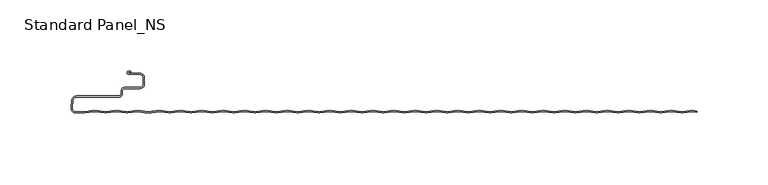
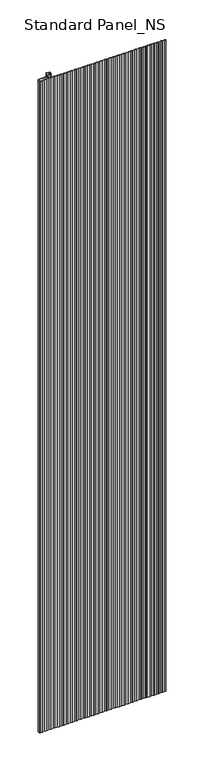
"""IFC4 building model written with IfcOpenShell, lengths in millimetres: proxy geometry, Standard Panel_NS."""

from ifc_helpers import new_model, si_unit, point, frame_2d, origin, origin_with_axes, place, context, project, spatial, polyline, circle_curve, trimmed, segment, composite_curve, outline, extrude, source, transform, mapped, element, save


def standard_panel_ns_74cee65e(model_context):
    return source(origin(), model_context, "Body", "SweptSolid", [
        extrude(outline(composite_curve([segment(polyline([(200.9757266, -68.2311894), (203.9042607, -68.6216606), (203.9042607, -69.4287404), (200.9757266, -69.0382692), (194.0477998, -69.9619928)]), True, "CONTINUOUS"), segment(trimmed(circle_curve(frame_2d((193.4654854, -65.5946345)), 4.4060082), [point((194.0477998, -69.9619928))], [point((192.883171, -69.9619928))], False, "CARTESIAN"), True, "CONTINUOUS"), segment(polyline([(192.883171, -69.9619928), (185.9552442, -69.0382692), (179.0273174, -69.9619928)]), True, "CONTINUOUS"), segment(trimmed(circle_curve(frame_2d((178.445003, -65.5946345)), 4.4060082), [point((179.0273174, -69.9619928))], [point((177.8626885, -69.9619928))], False, "CARTESIAN"), True, "CONTINUOUS"), segment(polyline([(177.8626885, -69.9619928), (170.9347618, -69.0382692), (164.006835, -69.9619928)]), True, "CONTINUOUS"), segment(trimmed(circle_curve(frame_2d((163.4245205, -65.5946345)), 4.4060082), [point((164.006835, -69.9619928))], [point((162.8422061, -69.9619928))], False, "CARTESIAN"), True, "CONTINUOUS"), segment(polyline([(162.8422061, -69.9619928), (155.9142793, -69.0382692), (148.9863525, -69.9619928)]), True, "CONTINUOUS"), segment(trimmed(circle_curve(frame_2d((148.4040381, -65.5946345)), 4.4060082), [point((148.9863525, -69.9619928))], [point((147.8217236, -69.9619928))], False, "CARTESIAN"), True, "CONTINUOUS"), segment(polyline([(147.8217236, -69.9619928), (140.8937969, -69.0382692), (133.9658701, -69.9619928)]), True, "CONTINUOUS"), segment(trimmed(circle_curve(frame_2d((133.3835556, -65.5946345)), 4.4060082), [point((133.9658701, -69.9619928))], [point((132.8012412, -69.9619928))], False, "CARTESIAN"), True, "CONTINUOUS"), segment(polyline([(132.8012412, -69.9619928), (125.8733144, -69.0382692), (118.9453876, -69.9619928)]), True, "CONTINUOUS"), segment(trimmed(circle_curve(frame_2d((118.3630732, -65.5946345)), 4.4060082), [point((118.9453876, -69.9619928))], [point((117.7807588, -69.9619928))], False, "CARTESIAN"), True, "CONTINUOUS"), segment(polyline([(117.7807588, -69.9619928), (110.852832, -69.0382692), (103.9249052, -69.9619928)]), True, "CONTINUOUS"), segment(trimmed(circle_curve(frame_2d((103.3425907, -65.5946345)), 4.4060082), [point((103.9249052, -69.9619928))], [point((102.7602763, -69.9619928))], False, "CARTESIAN"), True, "CONTINUOUS"), segment(polyline([(102.7602763, -69.9619928), (95.8323495, -69.0382692), (88.9044227, -69.9619928)]), True, "CONTINUOUS"), segment(trimmed(circle_curve(frame_2d((88.3221083, -65.5946345)), 4.4060082), [point((88.9044227, -69.9619928))], [point((87.7397939, -69.9619928))], False, "CARTESIAN"), True, "CONTINUOUS"), segment(polyline([(87.7397939, -69.9619928), (80.8118671, -69.0382692), (73.8839403, -69.9619928)]), True, "CONTINUOUS"), segment(trimmed(circle_curve(frame_2d((73.3016259, -65.5946345)), 4.4060082), [point((73.8839403, -69.9619928))], [point((72.7193114, -69.9619928))], False, "CARTESIAN"), True, "CONTINUOUS"), segment(polyline([(72.7193114, -69.9619928), (65.7913846, -69.0382692), (58.8634578, -69.9619928)]), True, "CONTINUOUS"), segment(trimmed(circle_curve(frame_2d((58.2811434, -65.5946345)), 4.4060082), [point((58.8634578, -69.9619928))], [point((57.698829, -69.9619928))], False, "CARTESIAN"), True, "CONTINUOUS"), segment(polyline([(57.698829, -69.9619928), (50.7709022, -69.0382692), (43.8429754, -69.9619928)]), True, "CONTINUOUS"), segment(trimmed(circle_curve(frame_2d((43.260661, -65.5946345)), 4.4060082), [point((43.8429754, -69.9619928))], [point((42.6783465, -69.9619928))], False, "CARTESIAN"), True, "CONTINUOUS"), segment(polyline([(42.6783465, -69.9619928), (35.7504198, -69.0382692), (28.822493, -69.9619928)]), True, "CONTINUOUS"), segment(trimmed(circle_curve(frame_2d((28.2401785, -65.5946345)), 4.4060082), [point((28.822493, -69.9619928))], [point((27.6578641, -69.9619928))], False, "CARTESIAN"), True, "CONTINUOUS"), segment(polyline([(27.6578641, -69.9619928), (20.7299373, -69.0382692), (13.8020105, -69.9619928)]), True, "CONTINUOUS"), segment(trimmed(circle_curve(frame_2d((13.2196961, -65.5946345)), 4.4060082), [point((13.8020105, -69.9619928))], [point((12.6373816, -69.9619928))], False, "CARTESIAN"), True, "CONTINUOUS"), segment(polyline([(12.6373816, -69.9619928), (5.7094549, -69.0382692), (-1.2184719, -69.9619928)]), True, "CONTINUOUS"), segment(trimmed(circle_curve(frame_2d((-1.8007864, -65.5946345)), 4.4060082), [point((-1.2184719, -69.9619928))], [point((-2.3831008, -69.9619928))], False, "CARTESIAN"), True, "CONTINUOUS"), segment(polyline([(-2.3831008, -69.9619928), (-9.3110276, -69.0382692), (-16.2389544, -69.9619928)]), True, "CONTINUOUS"), segment(trimmed(circle_curve(frame_2d((-16.8212688, -65.5946345)), 4.4060082), [point((-16.2389544, -69.9619928))], [point((-17.4035832, -69.9619928))], False, "CARTESIAN"), True, "CONTINUOUS"), segment(polyline([(-17.4035832, -69.9619928), (-24.33151, -69.0382692), (-31.2594368, -69.9619928)]), True, "CONTINUOUS"), segment(trimmed(circle_curve(frame_2d((-31.8417513, -65.5946345)), 4.4060082), [point((-31.2594368, -69.9619928))], [point((-32.4240657, -69.9619928))], False, "CARTESIAN"), True, "CONTINUOUS"), segment(polyline([(-32.4240657, -69.9619928), (-39.3519925, -69.0382692), (-46.2799193, -69.9619928)]), True, "CONTINUOUS"), segment(trimmed(circle_curve(frame_2d((-46.8622337, -65.5946345)), 4.4060082), [point((-46.2799193, -69.9619928))], [point((-47.4445481, -69.9619928))], False, "CARTESIAN"), True, "CONTINUOUS"), segment(polyline([(-47.4445481, -69.9619928), (-54.3724749, -69.0382692), (-61.3004017, -69.9619928)]), True, "CONTINUOUS"), segment(trimmed(circle_curve(frame_2d((-61.8827161, -65.5946345)), 4.4060082), [point((-61.3004017, -69.9619928))], [point((-62.4650306, -69.9619928))], False, "CARTESIAN"), True, "CONTINUOUS"), segment(polyline([(-62.4650306, -69.9619928), (-69.3929573, -69.0382692), (-76.3208842, -69.9619928)]), True, "CONTINUOUS"), segment(trimmed(circle_curve(frame_2d((-76.9031986, -65.5946345)), 4.4060082), [point((-76.3208842, -69.9619928))], [point((-77.485513, -69.9619928))], False, "CARTESIAN"), True, "CONTINUOUS"), segment(polyline([(-77.485513, -69.9619928), (-84.4134398, -69.0382692), (-91.3413666, -69.9619928)]), True, "CONTINUOUS"), segment(trimmed(circle_curve(frame_2d((-91.923681, -65.5946345)), 4.4060082), [point((-91.3413666, -69.9619928))], [point((-92.5059955, -69.9619928))], False, "CARTESIAN"), True, "CONTINUOUS"), segment(polyline([(-92.5059955, -69.9619928), (-99.4339222, -69.0382692), (-106.361849, -69.9619928)]), True, "CONTINUOUS"), segment(trimmed(circle_curve(frame_2d((-106.9441635, -65.5946345)), 4.4060082), [point((-106.361849, -69.9619928))], [point((-107.5264779, -69.9619928))], False, "CARTESIAN"), True, "CONTINUOUS"), segment(polyline([(-107.5264779, -69.9619928), (-114.4544047, -69.0382692), (-121.3823315, -69.9619928)]), True, "CONTINUOUS"), segment(trimmed(circle_curve(frame_2d((-121.9646459, -65.5946345)), 4.4060082), [point((-121.3823315, -69.9619928))], [point((-122.5469604, -69.9619928))], False, "CARTESIAN"), True, "CONTINUOUS"), segment(polyline([(-122.5469604, -69.9619928), (-129.4748871, -69.0382692), (-136.4028139, -69.9619928)]), True, "CONTINUOUS"), segment(trimmed(circle_curve(frame_2d((-136.9851284, -65.5946345)), 4.4060082), [point((-136.4028139, -69.9619928))], [point((-137.5674428, -69.9619928))], False, "CARTESIAN"), True, "CONTINUOUS"), segment(polyline([(-137.5674428, -69.9619928), (-144.4953696, -69.0382692), (-151.4232964, -69.9619928)]), True, "CONTINUOUS"), segment(trimmed(circle_curve(frame_2d((-152.0056108, -65.5946345)), 4.4060082), [point((-151.4232964, -69.9619928))], [point((-152.5879252, -69.9619928))], False, "CARTESIAN"), True, "CONTINUOUS"), segment(polyline([(-152.5879252, -69.9619928), (-159.515852, -69.0382692), (-166.4437788, -69.9619928)]), True, "CONTINUOUS"), segment(trimmed(circle_curve(frame_2d((-167.0260933, -65.5946345)), 4.4060082), [point((-166.4437788, -69.9619928))], [point((-167.6084077, -69.9619928))], False, "CARTESIAN"), True, "CONTINUOUS"), segment(polyline([(-167.6084077, -69.9619928), (-174.5363345, -69.0382692), (-182.0465757, -70.0396347), (-189.5568169, -69.0382692), (-196.4847437, -69.9619928)]), True, "CONTINUOUS"), segment(trimmed(circle_curve(frame_2d((-197.0670581, -65.5946345)), 4.4060082), [point((-196.4847437, -69.9619928))], [point((-197.6493726, -69.9619928))], False, "CARTESIAN"), True, "CONTINUOUS"), segment(polyline([(-197.6493726, -69.9619928), (-204.5772994, -69.0382692), (-211.5052261, -69.9619928)]), True, "CONTINUOUS"), segment(trimmed(circle_curve(frame_2d((-212.0875406, -65.5946345)), 4.4060082), [point((-211.5052261, -69.9619928))], [point((-212.669855, -69.9619928))], False, "CARTESIAN"), True, "CONTINUOUS"), segment(polyline([(-212.669855, -69.9619928), (-219.5977818, -69.0382692), (-226.8154689, -70.0006275), (-232.8591806, -70.0006275)]), True, "CONTINUOUS"), segment(trimmed(circle_curve(frame_2d((-232.8591806, -66.4402183)), 3.5604092), [point((-232.8591806, -70.0006275))], [point((-236.4060388, -66.1298796))], False, "CARTESIAN"), True, "CONTINUOUS"), segment(polyline([(-236.4060388, -66.1298796), (-235.9907187, -61.3831898)]), True, "CONTINUOUS"), segment(trimmed(circle_curve(frame_2d((-232.3045986, -61.7057134)), 3.7002032), [point((-235.9907187, -61.3831898))], [point((-232.3045986, -58.0055103))], False, "CARTESIAN"), True, "CONTINUOUS"), segment(polyline([(-232.3045986, -58.0055103), (-202.67533, -58.0055103)]), True, "CONTINUOUS"), segment(trimmed(circle_curve(frame_2d((-202.67533, -56.4057064)), 1.5998039), [point((-202.67533, -58.0055103))], [point((-201.0755261, -56.4057064))], True, "CARTESIAN"), True, "CONTINUOUS"), segment(polyline([(-201.0755261, -56.4057064), (-201.0755261, -54.4057064)]), True, "CONTINUOUS"), segment(trimmed(circle_curve(frame_2d((-198.67533, -54.4057064)), 2.4001961), [point((-201.0755261, -54.4057064))], [point((-198.67533, -52.0055103))], False, "CARTESIAN"), True, "CONTINUOUS"), segment(polyline([(-198.67533, -52.0055103), (-188.0058392, -52.0055103)]), True, "CONTINUOUS"), segment(trimmed(circle_curve(frame_2d((-188.0058392, -49.6557064)), 2.3498039), [point((-188.0058392, -52.0055103))], [point((-185.6560353, -49.6557064))], True, "CARTESIAN"), True, "CONTINUOUS"), segment(polyline([(-185.6560353, -49.6557064), (-185.6560353, -45.2557048)]), True, "CONTINUOUS"), segment(trimmed(circle_curve(frame_2d((-188.0058392, -45.2557048)), 2.3498039), [point((-185.6560353, -45.2557048))], [point((-188.0058392, -42.9059009))], True, "CARTESIAN"), True, "CONTINUOUS"), segment(polyline([(-188.0058392, -42.9059009), (-195.7650669, -42.9059009)]), True, "CONTINUOUS"), segment(trimmed(circle_curve(frame_2d((-195.7650669, -41.7057056)), 1.2001953), [point((-195.7650669, -42.9059009))], [point((-195.7650669, -40.5055103))], False, "CARTESIAN"), True, "CONTINUOUS"), segment(polyline([(-195.7650669, -40.5055103), (-194.3950677, -40.5055103), (-194.3950677, -41.3055103), (-195.7650669, -41.3055103)]), True, "CONTINUOUS"), segment(trimmed(circle_curve(frame_2d((-195.7650669, -41.7057056)), 0.4001953), [point((-195.7650669, -41.3055103))], [point((-195.7650669, -42.1059009))], True, "CARTESIAN"), True, "CONTINUOUS"), segment(polyline([(-195.7650669, -42.1059009), (-188.0058392, -42.1059009)]), True, "CONTINUOUS"), segment(trimmed(circle_curve(frame_2d((-188.0058392, -45.2557048)), 3.1498039), [point((-188.0058392, -42.1059009))], [point((-184.8560353, -45.2557048))], False, "CARTESIAN"), True, "CONTINUOUS"), segment(polyline([(-184.8560353, -45.2557048), (-184.8560353, -49.6557064)]), True, "CONTINUOUS"), segment(trimmed(circle_curve(frame_2d((-188.0058392, -49.6557064)), 3.1498039), [point((-184.8560353, -49.6557064))], [point((-188.0058392, -52.8055103))], False, "CARTESIAN"), True, "CONTINUOUS"), segment(polyline([(-188.0058392, -52.8055103), (-198.67533, -52.8055103)]), True, "CONTINUOUS"), segment(trimmed(circle_curve(frame_2d((-198.67533, -54.4057064)), 1.6001961), [point((-198.67533, -52.8055103))], [point((-200.2755261, -54.4057064))], True, "CARTESIAN"), True, "CONTINUOUS"), segment(polyline([(-200.2755261, -54.4057064), (-200.2755261, -56.4057064)]), True, "CONTINUOUS"), segment(trimmed(circle_curve(frame_2d((-202.67533, -56.4057064)), 2.3998039), [point((-200.2755261, -56.4057064))], [point((-202.67533, -58.8055103))], False, "CARTESIAN"), True, "CONTINUOUS"), segment(polyline([(-202.67533, -58.8055103), (-232.3045986, -58.8055103)]), True, "CONTINUOUS"), segment(trimmed(circle_curve(frame_2d((-232.3045986, -61.7057134)), 2.9002032), [point((-232.3045986, -58.8055103))], [point((-235.1937635, -61.4529208))], True, "CARTESIAN"), True, "CONTINUOUS"), segment(polyline([(-235.1937635, -61.4529208), (-235.6090836, -66.1996106)]), True, "CONTINUOUS"), segment(trimmed(circle_curve(frame_2d((-232.8591806, -66.4402183)), 2.7604092), [point((-235.6090836, -66.1996106))], [point((-232.8591806, -69.2006275))], True, "CARTESIAN"), True, "CONTINUOUS"), segment(polyline([(-232.8591806, -69.2006275), (-226.8685673, -69.2006275), (-219.5977818, -68.2311894), (-212.564124, -69.1690104)]), True, "CONTINUOUS"), segment(trimmed(circle_curve(frame_2d((-212.0875406, -65.5946345)), 3.6060082), [point((-212.564124, -69.1690104))], [point((-211.6109571, -69.1690104))], True, "CARTESIAN"), True, "CONTINUOUS"), segment(polyline([(-211.6109571, -69.1690104), (-204.5772994, -68.2311894), (-197.5436416, -69.1690104)]), True, "CONTINUOUS"), segment(trimmed(circle_curve(frame_2d((-197.0670581, -65.5946345)), 3.6060082), [point((-197.5436416, -69.1690104))], [point((-196.5904747, -69.1690104))], True, "CARTESIAN"), True, "CONTINUOUS"), segment(polyline([(-196.5904747, -69.1690104), (-189.5568169, -68.2311894), (-182.0465757, -69.2325549), (-174.5363345, -68.2311894), (-167.5026767, -69.1690104)]), True, "CONTINUOUS"), segment(trimmed(circle_curve(frame_2d((-167.0260933, -65.5946345)), 3.6060082), [point((-167.5026767, -69.1690104))], [point((-166.5495098, -69.1690104))], True, "CARTESIAN"), True, "CONTINUOUS"), segment(polyline([(-166.5495098, -69.1690104), (-159.515852, -68.2311894), (-152.4821943, -69.1690104)]), True, "CONTINUOUS"), segment(trimmed(circle_curve(frame_2d((-152.0056108, -65.5946345)), 3.6060082), [point((-152.4821943, -69.1690104))], [point((-151.5290274, -69.1690104))], True, "CARTESIAN"), True, "CONTINUOUS"), segment(polyline([(-151.5290274, -69.1690104), (-144.4953696, -68.2311894), (-137.4617118, -69.1690104)]), True, "CONTINUOUS"), segment(trimmed(circle_curve(frame_2d((-136.9851284, -65.5946345)), 3.6060082), [point((-137.4617118, -69.1690104))], [point((-136.5085449, -69.1690104))], True, "CARTESIAN"), True, "CONTINUOUS"), segment(polyline([(-136.5085449, -69.1690104), (-129.4748871, -68.2311894), (-122.4412294, -69.1690104)]), True, "CONTINUOUS"), segment(trimmed(circle_curve(frame_2d((-121.9646459, -65.5946345)), 3.6060082), [point((-122.4412294, -69.1690104))], [point((-121.4880625, -69.1690104))], True, "CARTESIAN"), True, "CONTINUOUS"), segment(polyline([(-121.4880625, -69.1690104), (-114.4544047, -68.2311894), (-107.4207469, -69.1690104)]), True, "CONTINUOUS"), segment(trimmed(circle_curve(frame_2d((-106.9441635, -65.5946345)), 3.6060082), [point((-107.4207469, -69.1690104))], [point((-106.46758, -69.1690104))], True, "CARTESIAN"), True, "CONTINUOUS"), segment(polyline([(-106.46758, -69.1690104), (-99.4339222, -68.2311894), (-92.4002645, -69.1690104)]), True, "CONTINUOUS"), segment(trimmed(circle_curve(frame_2d((-91.923681, -65.5946345)), 3.6060082), [point((-92.4002645, -69.1690104))], [point((-91.4470976, -69.1690104))], True, "CARTESIAN"), True, "CONTINUOUS"), segment(polyline([(-91.4470976, -69.1690104), (-84.4134398, -68.2311894), (-77.379782, -69.1690104)]), True, "CONTINUOUS"), segment(trimmed(circle_curve(frame_2d((-76.9031986, -65.5946345)), 3.6060082), [point((-77.379782, -69.1690104))], [point((-76.4266151, -69.1690104))], True, "CARTESIAN"), True, "CONTINUOUS"), segment(polyline([(-76.4266151, -69.1690104), (-69.3929573, -68.2311894), (-62.3592996, -69.1690104)]), True, "CONTINUOUS"), segment(trimmed(circle_curve(frame_2d((-61.8827161, -65.5946345)), 3.6060082), [point((-62.3592996, -69.1690104))], [point((-61.4061327, -69.1690104))], True, "CARTESIAN"), True, "CONTINUOUS"), segment(polyline([(-61.4061327, -69.1690104), (-54.3724749, -68.2311894), (-47.3388172, -69.1690104)]), True, "CONTINUOUS"), segment(trimmed(circle_curve(frame_2d((-46.8622337, -65.5946345)), 3.6060082), [point((-47.3388172, -69.1690104))], [point((-46.3856502, -69.1690104))], True, "CARTESIAN"), True, "CONTINUOUS"), segment(polyline([(-46.3856502, -69.1690104), (-39.3519925, -68.2311894), (-32.3183347, -69.1690104)]), True, "CONTINUOUS"), segment(trimmed(circle_curve(frame_2d((-31.8417513, -65.5946345)), 3.6060082), [point((-32.3183347, -69.1690104))], [point((-31.3651678, -69.1690104))], True, "CARTESIAN"), True, "CONTINUOUS"), segment(polyline([(-31.3651678, -69.1690104), (-24.33151, -68.2311894), (-17.2978523, -69.1690104)]), True, "CONTINUOUS"), segment(trimmed(circle_curve(frame_2d((-16.8212688, -65.5946345)), 3.6060082), [point((-17.2978523, -69.1690104))], [point((-16.3446854, -69.1690104))], True, "CARTESIAN"), True, "CONTINUOUS"), segment(polyline([(-16.3446854, -69.1690104), (-9.3110276, -68.2311894), (-2.2773698, -69.1690104)]), True, "CONTINUOUS"), segment(trimmed(circle_curve(frame_2d((-1.8007864, -65.5946345)), 3.6060082), [point((-2.2773698, -69.1690104))], [point((-1.3242029, -69.1690104))], True, "CARTESIAN"), True, "CONTINUOUS"), segment(polyline([(-1.3242029, -69.1690104), (5.7094549, -68.2311894), (12.7431126, -69.1690104)]), True, "CONTINUOUS"), segment(trimmed(circle_curve(frame_2d((13.2196961, -65.5946345)), 3.6060082), [point((12.7431126, -69.1690104))], [point((13.6962795, -69.1690104))], True, "CARTESIAN"), True, "CONTINUOUS"), segment(polyline([(13.6962795, -69.1690104), (20.7299373, -68.2311894), (27.7635951, -69.1690104)]), True, "CONTINUOUS"), segment(trimmed(circle_curve(frame_2d((28.2401785, -65.5946345)), 3.6060082), [point((27.7635951, -69.1690104))], [point((28.716762, -69.1690104))], True, "CARTESIAN"), True, "CONTINUOUS"), segment(polyline([(28.716762, -69.1690104), (35.7504198, -68.2311894), (42.7840775, -69.1690104)]), True, "CONTINUOUS"), segment(trimmed(circle_curve(frame_2d((43.260661, -65.5946345)), 3.6060082), [point((42.7840775, -69.1690104))], [point((43.7372444, -69.1690104))], True, "CARTESIAN"), True, "CONTINUOUS"), segment(polyline([(43.7372444, -69.1690104), (50.7709022, -68.2311894), (57.80456, -69.1690104)]), True, "CONTINUOUS"), segment(trimmed(circle_curve(frame_2d((58.2811434, -65.5946345)), 3.6060082), [point((57.80456, -69.1690104))], [point((58.7577269, -69.1690104))], True, "CARTESIAN"), True, "CONTINUOUS"), segment(polyline([(58.7577269, -69.1690104), (65.7913846, -68.2311894), (72.8250424, -69.1690104)]), True, "CONTINUOUS"), segment(trimmed(circle_curve(frame_2d((73.3016259, -65.5946345)), 3.6060082), [point((72.8250424, -69.1690104))], [point((73.7782093, -69.1690104))], True, "CARTESIAN"), True, "CONTINUOUS"), segment(polyline([(73.7782093, -69.1690104), (80.8118671, -68.2311894), (87.8455248, -69.1690104)]), True, "CONTINUOUS"), segment(trimmed(circle_curve(frame_2d((88.3221083, -65.5946345)), 3.6060082), [point((87.8455248, -69.1690104))], [point((88.7986918, -69.1690104))], True, "CARTESIAN"), True, "CONTINUOUS"), segment(polyline([(88.7986918, -69.1690104), (95.8323495, -68.2311894), (102.8660073, -69.1690104)]), True, "CONTINUOUS"), segment(trimmed(circle_curve(frame_2d((103.3425907, -65.5946345)), 3.6060082), [point((102.8660073, -69.1690104))], [point((103.8191742, -69.1690104))], True, "CARTESIAN"), True, "CONTINUOUS"), segment(polyline([(103.8191742, -69.1690104), (110.852832, -68.2311894), (117.8864897, -69.1690104)]), True, "CONTINUOUS"), segment(trimmed(circle_curve(frame_2d((118.3630732, -65.5946345)), 3.6060082), [point((117.8864897, -69.1690104))], [point((118.8396566, -69.1690104))], True, "CARTESIAN"), True, "CONTINUOUS"), segment(polyline([(118.8396566, -69.1690104), (125.8733144, -68.2311894), (132.9069722, -69.1690104)]), True, "CONTINUOUS"), segment(trimmed(circle_curve(frame_2d((133.3835556, -65.5946345)), 3.6060082), [point((132.9069722, -69.1690104))], [point((133.8601391, -69.1690104))], True, "CARTESIAN"), True, "CONTINUOUS"), segment(polyline([(133.8601391, -69.1690104), (140.8937969, -68.2311894), (147.9274546, -69.1690104)]), True, "CONTINUOUS"), segment(trimmed(circle_curve(frame_2d((148.4040381, -65.5946345)), 3.6060082), [point((147.9274546, -69.1690104))], [point((148.8806215, -69.1690104))], True, "CARTESIAN"), True, "CONTINUOUS"), segment(polyline([(148.8806215, -69.1690104), (155.9142793, -68.2311894), (162.9479371, -69.1690104)]), True, "CONTINUOUS"), segment(trimmed(circle_curve(frame_2d((163.4245205, -65.5946345)), 3.6060082), [point((162.9479371, -69.1690104))], [point((163.901104, -69.1690104))], True, "CARTESIAN"), True, "CONTINUOUS"), segment(polyline([(163.901104, -69.1690104), (170.9347618, -68.2311894), (177.9684195, -69.1690104)]), True, "CONTINUOUS"), segment(trimmed(circle_curve(frame_2d((178.445003, -65.5946345)), 3.6060082), [point((177.9684195, -69.1690104))], [point((178.9215864, -69.1690104))], True, "CARTESIAN"), True, "CONTINUOUS"), segment(polyline([(178.9215864, -69.1690104), (185.9552442, -68.2311894), (192.9889019, -69.1690104)]), True, "CONTINUOUS"), segment(trimmed(circle_curve(frame_2d((193.4654854, -65.5946345)), 3.6060082), [point((192.9889019, -69.1690104))], [point((193.9420689, -69.1690104))], True, "CARTESIAN"), True, "CONTINUOUS"), segment(polyline([(193.9420689, -69.1690104), (200.9757266, -68.2311894)]), True, "CONTINUOUS")], self_intersect=False)), origin_with_axes(), (0.0, 0.0, 1.0), 2400.0),
    ])


if __name__ == "__main__":
    model = new_model("IFC4")
    model_context = context("Model", 3, world=origin())
    ifc_project = project(units=[si_unit("LENGTHUNIT", "METRE", prefix="MILLI")], contexts=[model_context])
    site = spatial("IfcSite", under=ifc_project)
    building = spatial("IfcBuilding", under=site)
    placement = place(None, origin())
    standard_panel_ns_shape = standard_panel_ns_74cee65e(model_context)
    element("IfcBuildingElementProxy", 1, Name="Standard Panel_NS", ObjectType="Standard Panel_NS", at=placement, inside=building, context=model_context, shape_type="MappedRepresentation", body=[
        mapped(standard_panel_ns_shape, transform((0.0, 0.0, 0.0), x_axis=(1.0, 0.0, 0.0), y_axis=(0.0, 1.0, 0.0), z_axis=(0.0, 0.0, 1.0))),
    ])
    save(model, "model.ifc")
